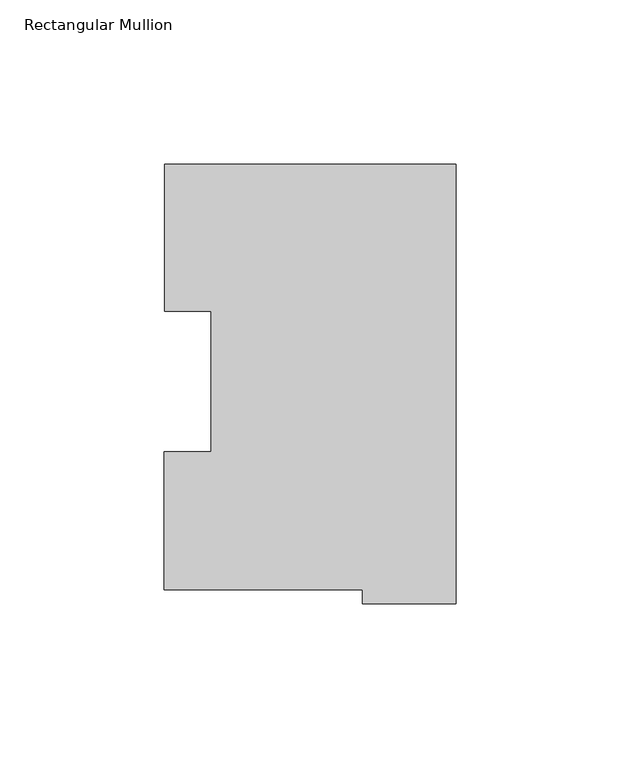
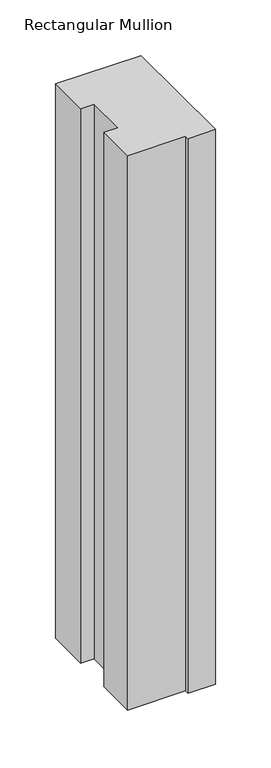
"""IFC4 building model written with IfcOpenShell, lengths in millimetres: member geometry, Rectangular Mullion."""

from ifc_helpers import new_model, si_unit, frame, origin, place, context, project, spatial, polyline, outline, extrude, source, transform, mapped, element, save


def rectangular_mullion_f7cff726(model_context):
    return source(origin(), model_context, "Body", "SweptSolid", [
        extrude(outline(polyline([(-89.1479583, 0.2428875), (-89.1479583, 42.2798875), (-74.759344, 42.2798875), (-74.759344, 85.1296875), (-88.99652, 85.1296875), (-88.99652, 130.0368875), (0.0, 130.0368875), (0.0, -3.9735125), (-28.56992, -3.9735125), (-28.56992, 0.2428875), (-89.1479583, 0.2428875)])), frame((0.0, 0.0, -609.6), z_axis=(0.0, 0.0, 1.0), x_axis=(1.0, 0.0, 0.0)), (0.0, 0.0, 1.0), 609.6),
    ])


if __name__ == "__main__":
    model = new_model("IFC4")
    model_context = context("Model", 3, world=origin())
    ifc_project = project(units=[si_unit("LENGTHUNIT", "METRE", prefix="MILLI")], contexts=[model_context])
    site = spatial("IfcSite", under=ifc_project)
    building = spatial("IfcBuilding", under=site)
    placement = place(None, origin())
    rectangular_mullion_shape = rectangular_mullion_f7cff726(model_context)
    element("IfcMember", 1, ObjectType="Rectangular Mullion", at=placement, inside=building, context=model_context, shape_type="MappedRepresentation", body=[
        mapped(rectangular_mullion_shape, transform((0.0, 0.0, 0.0), x_axis=(1.0, 0.0, 0.0), y_axis=(0.0, 1.0, 0.0), z_axis=(0.0, 0.0, 1.0))),
    ])
    save(model, "model.ifc")
